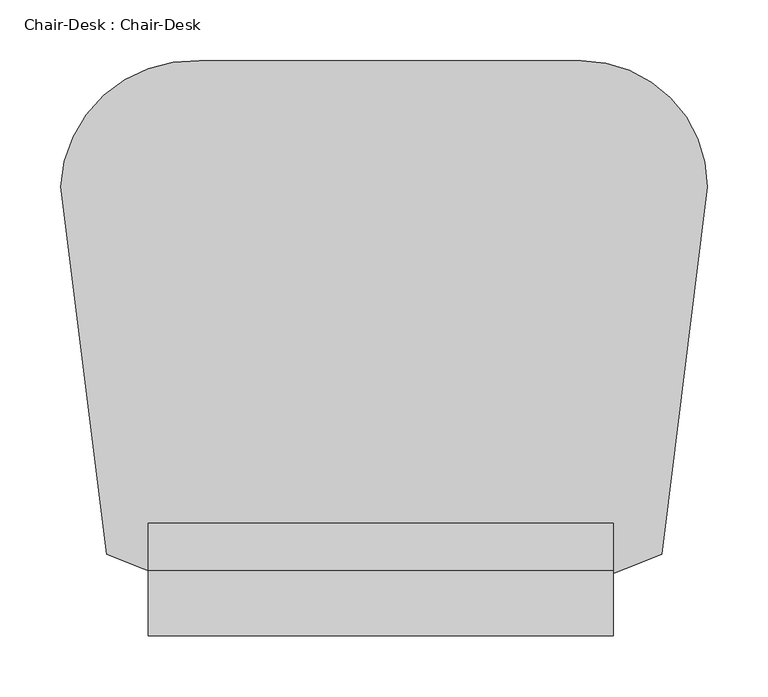
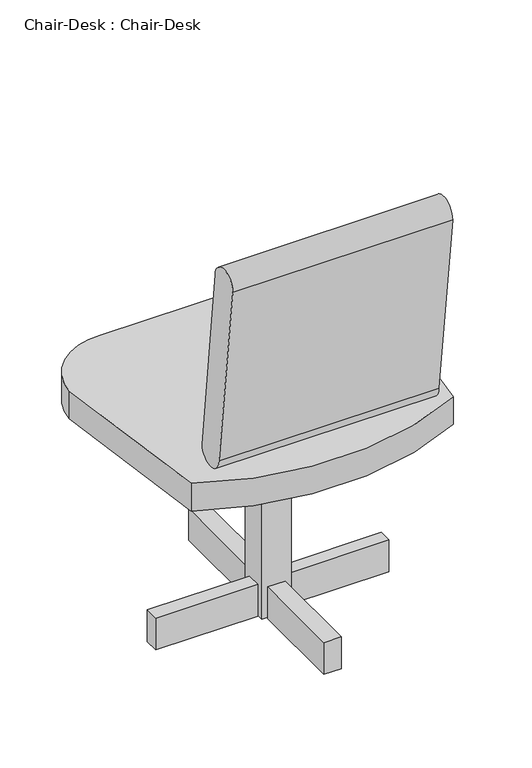
"""IFC4 building model written with IfcOpenShell, lengths in millimetres: furniture geometry, Chair-Desk : Chair-Desk."""

from ifc_helpers import new_model, si_unit, point, frame, frame_2d, origin, origin_with_axes, place, context, project, spatial, polyline, circle_curve, trimmed, segment, composite_curve, outline, extrude, source, transform, mapped, element, save


def chair_desk_chair_desk_ccc35c8f(model_context):
    return source(origin(), model_context, "Body", "SweptSolid", [
        extrude(outline(polyline([(-203.6618182, 175.0290909), (-25.8618182, 175.0290909), (-25.8618182, 150.0462968), (-203.6618182, 150.0462968), (-203.6618182, 175.0290909)])), origin_with_axes(), (0.0, 0.0, 1.0), 58.5040426),
        extrude(outline(polyline([(204.1236364, 175.0290909), (204.1236364, 152.4), (26.7854545, 152.4), (26.7854545, 175.0290909), (204.1236364, 175.0290909)])), origin_with_axes(), (0.0, 0.0, 1.0), 58.5040426),
        extrude(outline(polyline([(-16.1636364, 188.8836364), (-16.1636364, 374.9517514), (14.3163636, 374.9517514), (14.3163636, 188.8836364), (-16.1636364, 188.8836364)])), origin_with_axes(), (0.0, 0.0, 1.0), 58.5040426),
        extrude(outline(polyline([(14.3163636, 136.2363636), (14.3163636, -33.2509091), (-16.1636364, -33.2509091), (-16.1636364, 136.2363636), (14.3163636, 136.2363636)])), origin_with_axes(), (0.0, 0.0, 1.0), 58.5040426),
        extrude(outline(polyline([(26.3236364, 190.2690909), (26.3236364, 139.4690909), (-24.4763636, 139.4690909), (-24.4763636, 190.2690909), (26.3236364, 190.2690909)])), origin_with_axes(), (0.0, 0.0, 1.0), 355.6),
        extrude(outline(composite_curve([segment(polyline([(-13.6321252, 787.4), (25.5523927, 451.3880753)]), True, "CONTINUOUS"), segment(trimmed(circle_curve(frame_2d((0.0761963, 451.3880753)), 25.4761963), [point((25.5523927, 451.3880753))], [point((-25.4, 451.3880753))], False, "CARTESIAN"), True, "CONTINUOUS"), segment(polyline([(-25.4, 451.3880753), (-67.209111, 787.4)]), True, "CONTINUOUS"), segment(trimmed(circle_curve(frame_2d((-40.4206181, 787.4)), 26.7884929), [point((-67.209111, 787.4))], [point((-13.6321252, 787.4))], False, "CARTESIAN"), True, "CONTINUOUS")], self_intersect=False)), frame((-194.3643056, 0.0, 0.0), z_axis=(1.0, 0.0, 0.0), x_axis=(0.0, 1.0, 0.0)), (0.0, 0.0, 1.0), 383.2768056),
        extrude(outline(composite_curve([segment(trimmed(circle_curve(frame_2d((-157.1362322, 297.1024212)), 109.4001491), [point((-266.4057871, 302.4462968))], [point((-152.4, 406.4))], False, "CARTESIAN"), True, "CONTINUOUS"), segment(polyline([(-152.4, 406.4), (162.2530084, 406.4)]), True, "CONTINUOUS"), segment(trimmed(circle_curve(frame_2d((162.2530084, 302.4462968)), 103.9537032), [point((162.2530084, 406.4))], [point((266.2067116, 302.4462968))], False, "CARTESIAN"), True, "CONTINUOUS"), segment(polyline([(266.2067116, 302.4462968), (228.6, 0.0)]), True, "CONTINUOUS"), segment(trimmed(circle_curve(frame_2d((0.0, 446.8941036)), 501.9684252), [point((228.6, 0.0))], [point((-228.6, 0.0))], False, "CARTESIAN"), True, "CONTINUOUS"), segment(polyline([(-228.6, 0.0), (-266.4057871, 302.4462968)]), True, "CONTINUOUS")], self_intersect=False)), frame((0.0, 0.0, 355.6), z_axis=(0.0, 0.0, 1.0), x_axis=(1.0, 0.0, 0.0)), (0.0, 0.0, 1.0), 50.8),
    ])


if __name__ == "__main__":
    model = new_model("IFC4")
    model_context = context("Model", 3, world=origin())
    ifc_project = project(units=[si_unit("LENGTHUNIT", "METRE", prefix="MILLI")], contexts=[model_context])
    site = spatial("IfcSite", under=ifc_project)
    building = spatial("IfcBuilding", under=site)
    placement = place(None, origin())
    chair_desk_chair_desk_shape = chair_desk_chair_desk_ccc35c8f(model_context)
    element("IfcFurniture", 1, ObjectType="Chair-Desk : Chair-Desk", at=placement, inside=building, context=model_context, shape_type="MappedRepresentation", body=[
        mapped(chair_desk_chair_desk_shape, transform((0.0, 0.0, 0.0), x_axis=(1.0, 0.0, 0.0), y_axis=(0.0, 1.0, 0.0), z_axis=(0.0, 0.0, 1.0))),
    ])
    save(model, "model.ifc")
